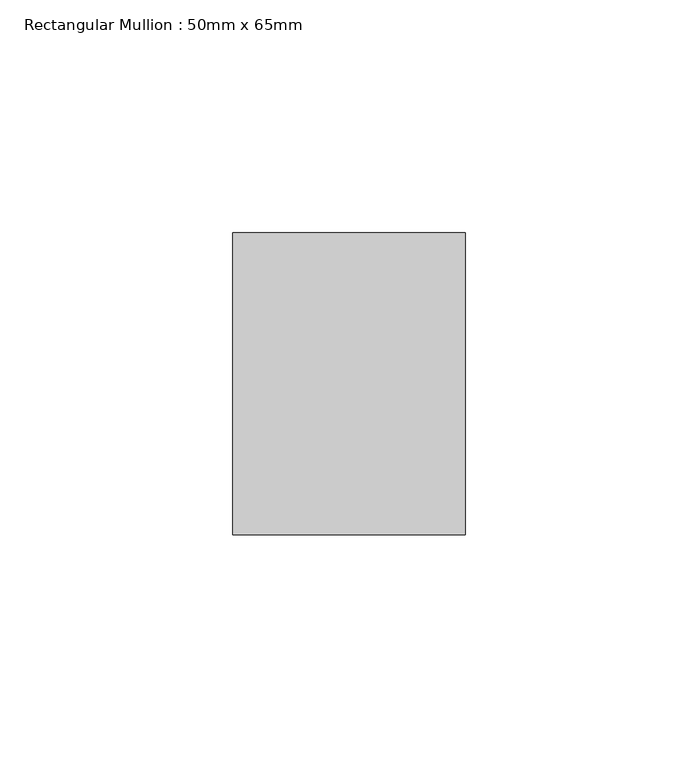
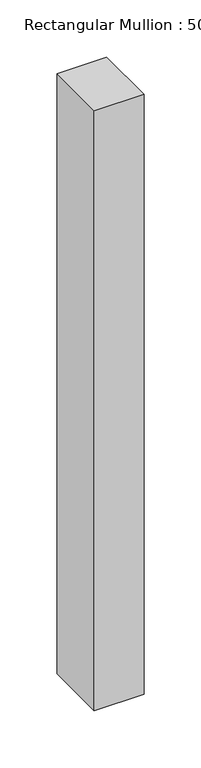
"""IFC4 building model written with IfcOpenShell, lengths in millimetres: member geometry, Rectangular Mullion : 50mm x 65mm."""

from ifc_helpers import new_model, si_unit, frame, origin, place, context, project, spatial, polyline, outline, extrude, source, transform, mapped, element, save


def rectangular_mullion_50mm_x_65mm_6f3c7184(model_context):
    return source(origin(), model_context, "Body", "SweptSolid", [
        extrude(outline(polyline([(25.0, 32.5), (25.0, -32.5), (-25.0, -32.5), (-25.0, 32.5), (25.0, 32.5)])), frame((0.0, 0.0, -639.7123719), z_axis=(0.0, 0.0, 1.0), x_axis=(1.0, 0.0, 0.0)), (0.0, 0.0, 1.0), 639.7123719),
    ])


if __name__ == "__main__":
    model = new_model("IFC4")
    model_context = context("Model", 3, world=origin())
    ifc_project = project(units=[si_unit("LENGTHUNIT", "METRE", prefix="MILLI")], contexts=[model_context])
    site = spatial("IfcSite", under=ifc_project)
    building = spatial("IfcBuilding", under=site)
    placement = place(None, origin())
    rectangular_mullion_50mm_x_65mm_shape = rectangular_mullion_50mm_x_65mm_6f3c7184(model_context)
    element("IfcMember", 1, ObjectType="Rectangular Mullion : 50mm x 65mm", at=placement, inside=building, context=model_context, shape_type="MappedRepresentation", body=[
        mapped(rectangular_mullion_50mm_x_65mm_shape, transform((0.0, 0.0, 0.0), x_axis=(1.0, 0.0, 0.0), y_axis=(0.0, 1.0, 0.0), z_axis=(0.0, 0.0, 1.0))),
    ])
    save(model, "model.ifc")
